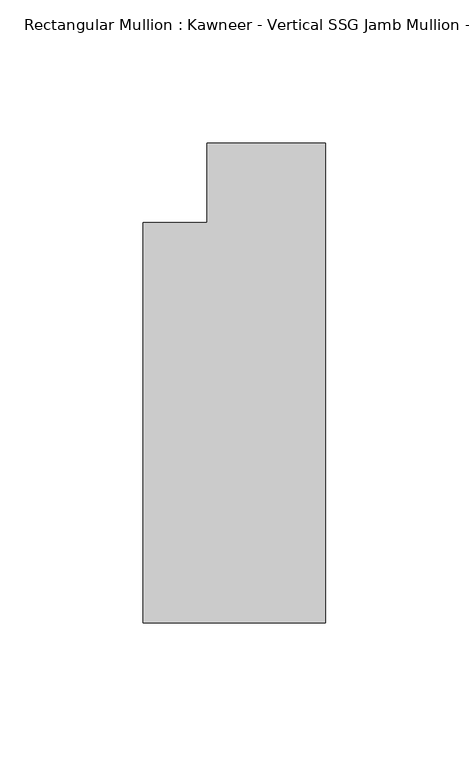
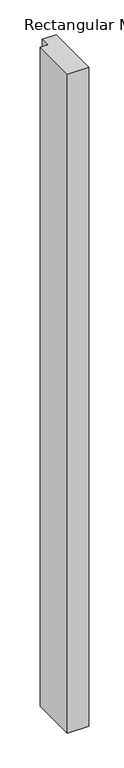
"""IFC4 building model written with IfcOpenShell, lengths in millimetres: member geometry."""

import ifcopenshell
import ifcopenshell.guid

model = None  # the IFC model being written
_history = None  # IfcOwnerHistory: only IFC2X3 demands one
_inside = {}  # id of a spatial element -> (the spatial element, [elements in it])
_under = {}  # id of a project, library or spatial element -> (it, [spatial elements below it])
_declared = {}  # id of a project -> (the project, [libraries it declares])
_typed = {}  # id of a type object -> (the type object, [elements of that type])
_made_of = {}  # id of a material, layer set ... -> (it, [elements and type objects made of it])


def new_model(schema):
    """Start an empty IFC model of exactly this schema.

    Asked for "IFC4X3", IfcOpenShell would pick the latest addendum, in which some entities
    have other attributes; the version numbers below select the first issue.
    IFC2X3 requires an IfcOwnerHistory on every rooted entity: one is made here for all.
    """
    global model, _history
    if schema == "IFC4X3":
        model = ifcopenshell.file(schema_version=(4, 3, 0, 0))
    else:
        model = ifcopenshell.file(schema=schema)
    _inside.clear()
    _under.clear()
    _declared.clear()
    _typed.clear()
    _made_of.clear()
    _history = None
    if model.schema == "IFC2X3":
        org = make("IfcOrganization", Name="unknown")
        user = make(
            "IfcPersonAndOrganization",
            ThePerson=make("IfcPerson", FamilyName="unknown"),
            TheOrganization=org,
        )
        app = make(
            "IfcApplication",
            ApplicationDeveloper=org,
            Version="unknown",
            ApplicationFullName="unknown",
            ApplicationIdentifier="unknown",
        )
        _history = make(
            "IfcOwnerHistory",
            OwningUser=user,
            OwningApplication=app,
            ChangeAction="ADDED",
            CreationDate=0,
        )
    return model


def make(cls, **values):
    """One entity of the class cls with the attributes given. An attribute that is None is left unset."""
    return model.create_entity(
        cls, **{name: value for name, value in values.items() if value is not None}
    )


def rooted(cls, **values):
    """An entity with a GlobalId (a new one), such as an element, a storey or a relation."""
    return make(cls, GlobalId=ifcopenshell.guid.new(), OwnerHistory=_history, **values)


def si_unit(unit_type, name, prefix=None):
    """IfcSIUnit, for example si_unit("LENGTHUNIT", "METRE", prefix="MILLI")."""
    return make("IfcSIUnit", UnitType=unit_type, Prefix=prefix, Name=name)


def assignment(units):
    """IfcUnitAssignment: the units of a project."""
    return None if units is None else make("IfcUnitAssignment", Units=units)


def point(xyz):
    """IfcCartesianPoint."""
    return None if xyz is None else make("IfcCartesianPoint", Coordinates=xyz)


def direction(xyz):
    """IfcDirection."""
    return None if xyz is None else make("IfcDirection", DirectionRatios=xyz)


def frame(location, z_axis=None, x_axis=None):
    """IfcAxis2Placement3D, a coordinate frame: its origin and axes. An axis left out is left unset."""
    return make(
        "IfcAxis2Placement3D",
        Location=point(location),
        Axis=direction(z_axis),
        RefDirection=direction(x_axis),
    )


def origin():
    """The frame at (0, 0, 0) with its axes left unset."""
    return frame((0.0, 0.0, 0.0))


def place(relative_to, where):
    """IfcLocalPlacement: puts the frame where relative to a parent placement (None: the world)."""
    return make(
        "IfcLocalPlacement", PlacementRelTo=relative_to, RelativePlacement=where
    )


def context(
    kind, dimensions, precision=None, world=None, true_north=None, identifier=None
):
    """IfcGeometricRepresentationContext, for example the 3D "Model" context."""
    return make(
        "IfcGeometricRepresentationContext",
        ContextIdentifier=identifier,
        ContextType=kind,
        CoordinateSpaceDimension=dimensions,
        Precision=precision,
        WorldCoordinateSystem=world,
        TrueNorth=true_north,
    )


def project(units=None, contexts=None):
    """IfcProject with its units and contexts."""
    return rooted(
        "IfcProject",
        Name="project",
        RepresentationContexts=contexts,
        UnitsInContext=assignment(units),
    )


def spatial(cls, under=None, at=None, **own):
    """A site, building, storey or space (cls), placed at a placement, below another one or the project."""
    s = rooted(cls, ObjectPlacement=at, **own)
    if under is not None:
        _under.setdefault(under.id(), (under, []))[1].append(s)
    return s


def polyline(points):
    """IfcPolyline through the points."""
    return make("IfcPolyline", Points=[point(p) for p in points])


def outline(outer, holes=None, kind="AREA"):
    """IfcArbitraryClosedProfileDef: a profile drawn as a closed curve; with holes, ...WithVoids."""
    if holes is None:
        return make("IfcArbitraryClosedProfileDef", ProfileType=kind, OuterCurve=outer)
    return make(
        "IfcArbitraryProfileDefWithVoids",
        ProfileType=kind,
        OuterCurve=outer,
        InnerCurves=holes,
    )


def extrude(swept, where, along, depth):
    """IfcExtrudedAreaSolid: the profile swept, set in the frame where, extruded along a direction by depth."""
    return make(
        "IfcExtrudedAreaSolid",
        SweptArea=swept,
        Position=where,
        ExtrudedDirection=direction(along),
        Depth=depth,
    )


def shape(context_of_items, identifier, shape_type, items):
    """IfcShapeRepresentation: the items that make up one representation, for example the "Body"."""
    return make(
        "IfcShapeRepresentation",
        ContextOfItems=context_of_items,
        RepresentationIdentifier=identifier,
        RepresentationType=shape_type,
        Items=items,
    )


def source(mapping_origin, context_of_items, identifier, shape_type, items):
    """IfcRepresentationMap: a shape defined once, which mapped items show again and again."""
    return make(
        "IfcRepresentationMap",
        MappingOrigin=mapping_origin,
        MappedRepresentation=shape(context_of_items, identifier, shape_type, items),
    )


def transform(
    local_origin,
    x_axis=None,
    y_axis=None,
    z_axis=None,
    scale=None,
    scale2=None,
    scale3=None,
    uniform=True,
):
    """IfcCartesianTransformationOperator3D, or its non-uniform kind. x_axis, y_axis, z_axis: its Axis1, 2, 3."""
    if uniform:
        return make(
            "IfcCartesianTransformationOperator3D",
            Axis1=direction(x_axis),
            Axis2=direction(y_axis),
            LocalOrigin=point(local_origin),
            Scale=scale,
            Axis3=direction(z_axis),
        )
    return make(
        "IfcCartesianTransformationOperator3DnonUniform",
        Axis1=direction(x_axis),
        Axis2=direction(y_axis),
        LocalOrigin=point(local_origin),
        Scale=scale,
        Axis3=direction(z_axis),
        Scale2=scale2,
        Scale3=scale3,
    )


def mapped(mapping_source, mapping_target):
    """IfcMappedItem: shows the shape of a source again, moved by a transform."""
    return make(
        "IfcMappedItem", MappingSource=mapping_source, MappingTarget=mapping_target
    )


def made_of(thing, what):
    """Note that an element or type object is made of a material, layer set ...; save() writes the relation."""
    if what is not None:
        _made_of.setdefault(what.id(), (what, []))[1].append(thing)
    return thing


def element(
    cls,
    number,
    at=None,
    inside=None,
    cuts=None,
    type_object=None,
    material=None,
    context=None,
    identifier="Body",
    shape_type=None,
    held_by="IfcProductDefinitionShape",
    body=None,
    shapes=None,
    **own,
):
    """One element of the class cls, such as IfcWall. Its Tag is "e" and its number.

    at: its placement. inside: the storey or other place that contains it. cuts: it is an
    opening in that element (IfcRelVoidsElement). A single representation is given by context,
    identifier, shape_type and body (its items); several are given by shapes. held_by: the class
    of the entity that holds the representations. save() writes the other relations.
    """
    e = rooted(cls, Tag="e%d" % number, ObjectPlacement=at, **own)
    if body is not None:
        shapes = [shape(context, identifier, shape_type, body)]
    if shapes is not None:
        e.Representation = make(held_by, Representations=shapes)
    if inside is not None:
        _inside.setdefault(inside.id(), (inside, []))[1].append(e)
    if cuts is not None:
        rooted(
            "IfcRelVoidsElement", RelatingBuildingElement=cuts, RelatedOpeningElement=e
        )
    if type_object is not None:
        _typed.setdefault(type_object.id(), (type_object, []))[1].append(e)
    return made_of(e, material)


def aggregate(whole, parts):
    """IfcRelAggregates: a whole, such as a stair, and the parts it consists of."""
    return rooted("IfcRelAggregates", RelatingObject=whole, RelatedObjects=parts)


def save(model, path):
    """Write the relations noted so far, then the file.

    IfcRelAggregates (storeys below a building ...), IfcRelContainedInSpatialStructure (elements
    in a storey), IfcRelDefinesByType, IfcRelAssociatesMaterial and IfcRelDeclares: one each for
    every whole, place, type object, material and project.
    """
    for whole, parts in _under.values():
        aggregate(whole, parts)
    for where, things in _inside.values():
        rooted(
            "IfcRelContainedInSpatialStructure",
            RelatedElements=things,
            RelatingStructure=where,
        )
    for kind, things in _typed.values():
        rooted("IfcRelDefinesByType", RelatedObjects=things, RelatingType=kind)
    for what, things in _made_of.values():
        rooted("IfcRelAssociatesMaterial", RelatedObjects=things, RelatingMaterial=what)
    for by, libraries in _declared.values():
        rooted("IfcRelDeclares", RelatingContext=by, RelatedDefinitions=libraries)
    model.write(path)


def member_ae4449d7(model_context):
    return source(origin(), model_context, "Body", "SweptSolid", [
        extrude(outline(polyline([(0.0, -152.399995), (-63.5, -152.399995), (-63.5, -12.7), (-41.2751132, -12.7), (-41.2751132, 14.8599091), (0.0, 14.8599091), (0.0, -152.399995)])), frame((0.0, 0.0, -2075.4930277), z_axis=(0.0, 0.0, 1.0), x_axis=(1.0, 0.0, 0.0)), (0.0, 0.0, 1.0), 2075.4930277),
    ])


if __name__ == "__main__":
    model = new_model("IFC4")
    model_context = context("Model", 3, world=origin())
    ifc_project = project(units=[si_unit("LENGTHUNIT", "METRE", prefix="MILLI")], contexts=[model_context])
    site = spatial("IfcSite", under=ifc_project)
    building = spatial("IfcBuilding", under=site)
    placement = place(None, origin())
    member_shape = member_ae4449d7(model_context)
    element("IfcMember", 1, ObjectType="Rectangular Mullion : Kawneer - Vertical SSG Jamb Mullion - 7 1/2\" - Left", at=placement, inside=building, context=model_context, shape_type="MappedRepresentation", body=[
        mapped(member_shape, transform((0.0, 0.0, 0.0), x_axis=(1.0, 0.0, 0.0), y_axis=(0.0, 1.0, 0.0), z_axis=(0.0, 0.0, 1.0))),
    ])
    save(model, "model.ifc")
